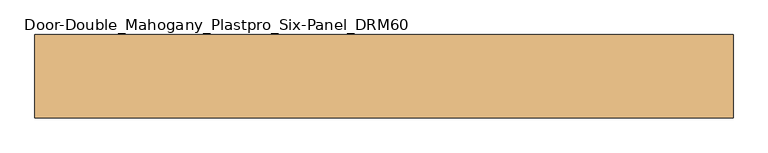
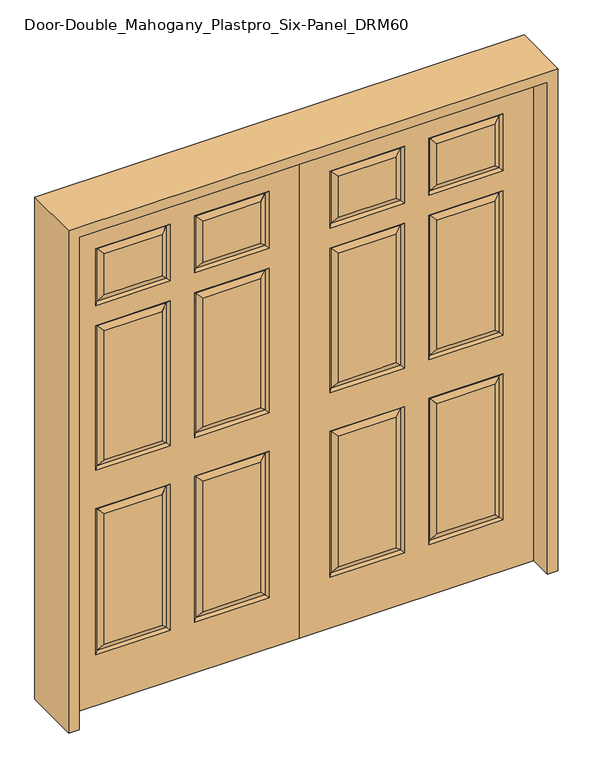
"""IFC4 building model written with IfcOpenShell, lengths in millimetres: door geometry, Door-Double_Mahogany_Plastpro_Six-Panel_DRM60."""

from ifc_helpers import new_model, si_unit, frame, origin, place, context, project, spatial, polyline, outline, extrude, faceted_brep, source, transform, mapped, element, save


def door_double_mahogany_plastpro_six_panel_drm60_e188e422(model_context):
    return source(origin(), model_context, "Body", "SolidModel", [
        faceted_brep([(0.0, -20.6375, 0.0), (0.0, 20.6375, 0.0), (914.4, 20.6375, 0.0), (914.4, -20.6375, 0.0), (762.7351108, -20.6375, 1004.0531705), (762.7351108, -20.6375, 1535.9468295), (537.3281705, -20.6375, 1535.9468295), (537.3281705, -20.6375, 1004.0531705), (377.0708488, -20.6375, 1004.0541512), (377.0708488, -20.6375, 1535.9458488), (151.6658699, -20.6375, 1535.9458488), (151.6658699, -20.6375, 1004.0541512), (377.0718295, -20.6375, 242.0531705), (377.0718295, -20.6375, 780.2968295), (151.6648892, -20.6375, 780.2968295), (151.6648892, -20.6375, 242.0531705), (762.7351108, -20.6375, 242.0531705), (762.7351108, -20.6375, 780.2968295), (537.3281705, -20.6375, 780.2968295), (537.3281705, -20.6375, 242.0531705), (377.0718295, -20.6375, 1683.5031705), (377.0718295, -20.6375, 1853.4468295), (151.6648892, -20.6375, 1853.4468295), (151.6648892, -20.6375, 1683.5031705), (762.7351108, -20.6375, 1683.5031705), (762.7351108, -20.6375, 1853.4468295), (537.3281705, -20.6375, 1853.4468295), (537.3281705, -20.6375, 1683.5031705), (0.0, -20.6375, 2032.0), (914.4, -20.6375, 2032.0), (119.1627007, -20.6375, 971.5509819), (119.1627007, -20.6375, 1568.4490181), (409.5740181, -20.6375, 1568.4490181), (409.5740181, -20.6375, 971.5509819), (504.8250012, -20.6375, 971.5500012), (504.8250012, -20.6375, 1568.4499988), (795.23828, -20.6375, 1568.4499988), (795.23828, -20.6375, 971.5500012), (119.16172, -20.6375, 209.5500012), (119.16172, -20.6375, 812.7999988), (409.5749988, -20.6375, 812.7999988), (409.5749988, -20.6375, 209.5500012), (504.8250012, -20.6375, 209.5500012), (504.8250012, -20.6375, 812.7999988), (795.23828, -20.6375, 812.7999988), (795.23828, -20.6375, 209.5500012), (119.16172, -20.6375, 1651.0000012), (119.16172, -20.6375, 1885.9499988), (409.5749988, -20.6375, 1885.9499988), (409.5749988, -20.6375, 1651.0000012), (504.8250012, -20.6375, 1651.0000012), (504.8250012, -20.6375, 1885.9499988), (795.23828, -20.6375, 1885.9499988), (795.23828, -20.6375, 1651.0000012), (914.4, 20.6375, 2032.0), (0.0, 20.6375, 2032.0), (795.23828, 20.6375, 971.5500012), (795.23828, 20.6375, 1568.4499988), (504.8250012, 20.6375, 1568.4499988), (504.8250012, 20.6375, 971.5500012), (409.5740181, 20.6375, 971.5509819), (409.5740181, 20.6375, 1568.4490181), (119.1627007, 20.6375, 1568.4490181), (119.1627007, 20.6375, 971.5509819), (409.5749988, 20.6375, 209.5500012), (409.5749988, 20.6375, 812.7999988), (119.16172, 20.6375, 812.7999988), (119.16172, 20.6375, 209.5500012), (795.23828, 20.6375, 209.5500012), (795.23828, 20.6375, 812.7999988), (504.8250012, 20.6375, 812.7999988), (504.8250012, 20.6375, 209.5500012), (409.5749988, 20.6375, 1651.0000012), (409.5749988, 20.6375, 1885.9499988), (119.16172, 20.6375, 1885.9499988), (119.16172, 20.6375, 1651.0000012), (795.23828, 20.6375, 1651.0000012), (795.23828, 20.6375, 1885.9499988), (504.8250012, 20.6375, 1885.9499988), (504.8250012, 20.6375, 1651.0000012), (537.3281705, 20.6375, 1004.0531705), (537.3281705, 20.6375, 1535.9468295), (762.7351108, 20.6375, 1535.9468295), (762.7351108, 20.6375, 1004.0531705), (151.6658699, 20.6375, 1004.0541512), (151.6658699, 20.6375, 1535.9458488), (377.0708488, 20.6375, 1535.9458488), (377.0708488, 20.6375, 1004.0541512), (151.6648892, 20.6375, 242.0531705), (151.6648892, 20.6375, 780.2968295), (377.0718295, 20.6375, 780.2968295), (377.0718295, 20.6375, 242.0531705), (537.3281705, 20.6375, 242.0531705), (537.3281705, 20.6375, 780.2968295), (762.7351108, 20.6375, 780.2968295), (762.7351108, 20.6375, 242.0531705), (151.6648892, 20.6375, 1683.5031705), (151.6648892, 20.6375, 1853.4468295), (377.0718295, 20.6375, 1853.4468295), (377.0718295, 20.6375, 1683.5031705), (537.3281705, 20.6375, 1683.5031705), (537.3281705, 20.6375, 1853.4468295), (762.7351108, 20.6375, 1853.4468295), (762.7351108, 20.6375, 1683.5031705), (514.5105194, 10.9519818, 981.2355194), (785.5527618, 10.9519818, 981.2355194), (514.5105194, 10.9519818, 1558.7644806), (785.5527618, 10.9519818, 1558.7644806), (128.8482189, 10.9519818, 981.2365001), (399.8884999, 10.9519818, 981.2365001), (128.8482189, 10.9519818, 1558.7634999), (399.8884999, 10.9519818, 1558.7634999), (128.8472382, 10.9519818, 219.2355194), (399.8894806, 10.9519818, 219.2355194), (128.8472382, 10.9519818, 803.1144806), (399.8894806, 10.9519818, 803.1144806), (514.5105194, 10.9519818, 219.2355194), (785.5527618, 10.9519818, 219.2355194), (514.5105194, 10.9519818, 803.1144806), (785.5527618, 10.9519818, 803.1144806), (514.5105194, -10.9519818, 981.2355194), (785.5527618, -10.9519818, 981.2355194), (514.5105194, -10.9519818, 1558.7644806), (785.5527618, -10.9519818, 1558.7644806), (128.8482189, -10.9519818, 981.2365001), (399.8884999, -10.9519818, 981.2365001), (128.8482189, -10.9519818, 1558.7634999), (399.8884999, -10.9519818, 1558.7634999), (128.8472382, -10.9519818, 219.2355194), (399.8894806, -10.9519818, 219.2355194), (128.8472382, -10.9519818, 803.1144806), (399.8894806, -10.9519818, 803.1144806), (514.5105194, -10.9519818, 219.2355194), (785.5527618, -10.9519818, 219.2355194), (514.5105194, -10.9519818, 803.1144806), (785.5527618, -10.9519818, 803.1144806), (128.8472382, 10.9519818, 1660.6855194), (399.8894806, 10.9519818, 1660.6855194), (128.8472382, -10.9519818, 1660.6855194), (399.8894806, -10.9519818, 1660.6855194), (399.8894806, 10.9519818, 1876.2644806), (399.8894806, -10.9519818, 1876.2644806), (128.8472382, 10.9519818, 1876.2644806), (128.8472382, -10.9519818, 1876.2644806), (514.5105194, 10.9519818, 1660.6855194), (785.5527618, 10.9519818, 1660.6855194), (785.5527618, 10.9519818, 1876.2644806), (514.5105194, 10.9519818, 1876.2644806), (514.5105194, -10.9519818, 1660.6855194), (785.5527618, -10.9519818, 1660.6855194), (785.5527618, -10.9519818, 1876.2644806), (514.5105194, -10.9519818, 1876.2644806)], [[[0, 1, 2, 3]], [[4, 5, 6, 7]], [[8, 9, 10, 11]], [[12, 13, 14, 15]], [[16, 17, 18, 19]], [[20, 21, 22, 23]], [[24, 25, 26, 27]], [[28, 0, 3, 29], [30, 31, 32, 33], [34, 35, 36, 37], [38, 39, 40, 41], [42, 43, 44, 45], [46, 47, 48, 49], [50, 51, 52, 53]], [[29, 3, 2, 54]], [[54, 2, 1, 55], [56, 57, 58, 59], [60, 61, 62, 63], [64, 65, 66, 67], [68, 69, 70, 71], [72, 73, 74, 75], [76, 77, 78, 79]], [[80, 81, 82, 83]], [[84, 85, 86, 87]], [[88, 89, 90, 91]], [[92, 93, 94, 95]], [[96, 97, 98, 99]], [[100, 101, 102, 103]], [[55, 1, 0, 28]], [[56, 59, 104, 105]], [[59, 58, 106, 104]], [[105, 107, 57, 56]], [[104, 80, 83, 105]], [[83, 82, 107, 105]], [[104, 106, 81, 80]], [[60, 63, 108, 109]], [[63, 62, 110, 108]], [[109, 111, 61, 60]], [[108, 84, 87, 109]], [[87, 86, 111, 109]], [[108, 110, 85, 84]], [[64, 67, 112, 113]], [[67, 66, 114, 112]], [[115, 114, 66, 65]], [[113, 115, 65, 64]], [[112, 88, 91, 113]], [[91, 90, 115, 113]], [[90, 89, 114, 115]], [[112, 114, 89, 88]], [[68, 71, 116, 117]], [[71, 70, 118, 116]], [[119, 118, 70, 69]], [[117, 119, 69, 68]], [[116, 92, 95, 117]], [[95, 94, 119, 117]], [[94, 93, 118, 119]], [[116, 118, 93, 92]], [[4, 7, 120, 121]], [[7, 6, 122, 120]], [[121, 123, 5, 4]], [[120, 34, 37, 121]], [[37, 36, 123, 121]], [[120, 122, 35, 34]], [[8, 11, 124, 125]], [[11, 10, 126, 124]], [[125, 127, 9, 8]], [[124, 30, 33, 125]], [[33, 32, 127, 125]], [[124, 126, 31, 30]], [[12, 15, 128, 129]], [[15, 14, 130, 128]], [[131, 130, 14, 13]], [[129, 131, 13, 12]], [[128, 38, 41, 129]], [[41, 40, 131, 129]], [[40, 39, 130, 131]], [[128, 130, 39, 38]], [[16, 19, 132, 133]], [[19, 18, 134, 132]], [[135, 134, 18, 17]], [[133, 135, 17, 16]], [[132, 42, 45, 133]], [[45, 44, 135, 133]], [[44, 43, 134, 135]], [[132, 134, 43, 42]], [[72, 75, 136, 137]], [[136, 96, 99, 137]], [[20, 23, 138, 139]], [[138, 46, 49, 139]], [[137, 140, 73, 72]], [[99, 98, 140, 137]], [[139, 141, 21, 20]], [[49, 48, 141, 139]], [[140, 142, 74, 73]], [[98, 97, 142, 140]], [[141, 143, 22, 21]], [[48, 47, 143, 141]], [[75, 74, 142, 136]], [[136, 142, 97, 96]], [[23, 22, 143, 138]], [[138, 143, 47, 46]], [[28, 29, 54, 55]], [[76, 79, 144, 145]], [[144, 100, 103, 145]], [[145, 146, 77, 76]], [[103, 102, 146, 145]], [[146, 147, 78, 77]], [[102, 101, 147, 146]], [[79, 78, 147, 144]], [[144, 147, 101, 100]], [[24, 27, 148, 149]], [[148, 50, 53, 149]], [[149, 150, 25, 24]], [[53, 52, 150, 149]], [[150, 151, 26, 25]], [[52, 51, 151, 150]], [[27, 26, 151, 148]], [[148, 151, 51, 50]], [[107, 106, 58, 57]], [[82, 81, 106, 107]], [[123, 122, 6, 5]], [[36, 35, 122, 123]], [[111, 110, 62, 61]], [[86, 85, 110, 111]], [[127, 126, 10, 9]], [[32, 31, 126, 127]]]),
        faceted_brep([(0.0, -20.6375, 0.0), (-914.4, -20.6375, 0.0), (-914.4, 20.6375, 0.0), (0.0, 20.6375, 0.0), (-762.7351108, -20.6375, 1004.0531705), (-537.3281705, -20.6375, 1004.0531705), (-537.3281705, -20.6375, 1535.9468295), (-762.7351108, -20.6375, 1535.9468295), (-377.0708488, -20.6375, 1004.0541512), (-151.6658699, -20.6375, 1004.0541512), (-151.6658699, -20.6375, 1535.9458488), (-377.0708488, -20.6375, 1535.9458488), (-377.0718295, -20.6375, 242.0531705), (-151.6648892, -20.6375, 242.0531705), (-151.6648892, -20.6375, 780.2968295), (-377.0718295, -20.6375, 780.2968295), (-762.7351108, -20.6375, 242.0531705), (-537.3281705, -20.6375, 242.0531705), (-537.3281705, -20.6375, 780.2968295), (-762.7351108, -20.6375, 780.2968295), (-377.0718295, -20.6375, 1683.5031705), (-151.6648892, -20.6375, 1683.5031705), (-151.6648892, -20.6375, 1853.4468295), (-377.0718295, -20.6375, 1853.4468295), (-762.7351108, -20.6375, 1683.5031705), (-537.3281705, -20.6375, 1683.5031705), (-537.3281705, -20.6375, 1853.4468295), (-762.7351108, -20.6375, 1853.4468295), (0.0, -20.6375, 2032.0), (-914.4, -20.6375, 2032.0), (-119.1627007, -20.6375, 971.5509819), (-409.5740181, -20.6375, 971.5509819), (-409.5740181, -20.6375, 1568.4490181), (-119.1627007, -20.6375, 1568.4490181), (-504.8250012, -20.6375, 971.5500012), (-795.23828, -20.6375, 971.5500012), (-795.23828, -20.6375, 1568.4499988), (-504.8250012, -20.6375, 1568.4499988), (-119.16172, -20.6375, 209.5500012), (-409.5749988, -20.6375, 209.5500012), (-409.5749988, -20.6375, 812.7999988), (-119.16172, -20.6375, 812.7999988), (-504.8250012, -20.6375, 209.5500012), (-795.23828, -20.6375, 209.5500012), (-795.23828, -20.6375, 812.7999988), (-504.8250012, -20.6375, 812.7999988), (-119.16172, -20.6375, 1651.0000012), (-409.5749988, -20.6375, 1651.0000012), (-409.5749988, -20.6375, 1885.9499988), (-119.16172, -20.6375, 1885.9499988), (-504.8250012, -20.6375, 1651.0000012), (-795.23828, -20.6375, 1651.0000012), (-795.23828, -20.6375, 1885.9499988), (-504.8250012, -20.6375, 1885.9499988), (-914.4, 20.6375, 2032.0), (-537.3281705, 20.6375, 1004.0531705), (-762.7351108, 20.6375, 1004.0531705), (-762.7351108, 20.6375, 1535.9468295), (-537.3281705, 20.6375, 1535.9468295), (-151.6658699, 20.6375, 1004.0541512), (-377.0708488, 20.6375, 1004.0541512), (-377.0708488, 20.6375, 1535.9458488), (-151.6658699, 20.6375, 1535.9458488), (-151.6648892, 20.6375, 242.0531705), (-377.0718295, 20.6375, 242.0531705), (-377.0718295, 20.6375, 780.2968295), (-151.6648892, 20.6375, 780.2968295), (-537.3281705, 20.6375, 242.0531705), (-762.7351108, 20.6375, 242.0531705), (-762.7351108, 20.6375, 780.2968295), (-537.3281705, 20.6375, 780.2968295), (-151.6648892, 20.6375, 1683.5031705), (-377.0718295, 20.6375, 1683.5031705), (-377.0718295, 20.6375, 1853.4468295), (-151.6648892, 20.6375, 1853.4468295), (-537.3281705, 20.6375, 1683.5031705), (-762.7351108, 20.6375, 1683.5031705), (-762.7351108, 20.6375, 1853.4468295), (-537.3281705, 20.6375, 1853.4468295), (0.0, 20.6375, 2032.0), (-795.23828, 20.6375, 971.5500012), (-504.8250012, 20.6375, 971.5500012), (-504.8250012, 20.6375, 1568.4499988), (-795.23828, 20.6375, 1568.4499988), (-409.5740181, 20.6375, 971.5509819), (-119.1627007, 20.6375, 971.5509819), (-119.1627007, 20.6375, 1568.4490181), (-409.5740181, 20.6375, 1568.4490181), (-409.5749988, 20.6375, 209.5500012), (-119.16172, 20.6375, 209.5500012), (-119.16172, 20.6375, 812.7999988), (-409.5749988, 20.6375, 812.7999988), (-795.23828, 20.6375, 209.5500012), (-504.8250012, 20.6375, 209.5500012), (-504.8250012, 20.6375, 812.7999988), (-795.23828, 20.6375, 812.7999988), (-409.5749988, 20.6375, 1651.0000012), (-119.16172, 20.6375, 1651.0000012), (-119.16172, 20.6375, 1885.9499988), (-409.5749988, 20.6375, 1885.9499988), (-795.23828, 20.6375, 1651.0000012), (-504.8250012, 20.6375, 1651.0000012), (-504.8250012, 20.6375, 1885.9499988), (-795.23828, 20.6375, 1885.9499988), (-785.5527618, 10.9519818, 981.2355194), (-514.5105194, 10.9519818, 981.2355194), (-514.5105194, 10.9519818, 1558.7644806), (-785.5527618, 10.9519818, 1558.7644806), (-399.8884999, 10.9519818, 981.2365001), (-128.8482189, 10.9519818, 981.2365001), (-128.8482189, 10.9519818, 1558.7634999), (-399.8884999, 10.9519818, 1558.7634999), (-399.8894806, 10.9519818, 219.2355194), (-128.8472382, 10.9519818, 219.2355194), (-128.8472382, 10.9519818, 803.1144806), (-399.8894806, 10.9519818, 803.1144806), (-785.5527618, 10.9519818, 219.2355194), (-514.5105194, 10.9519818, 219.2355194), (-514.5105194, 10.9519818, 803.1144806), (-785.5527618, 10.9519818, 803.1144806), (-785.5527618, -10.9519818, 981.2355194), (-514.5105194, -10.9519818, 981.2355194), (-514.5105194, -10.9519818, 1558.7644806), (-785.5527618, -10.9519818, 1558.7644806), (-399.8884999, -10.9519818, 981.2365001), (-128.8482189, -10.9519818, 981.2365001), (-128.8482189, -10.9519818, 1558.7634999), (-399.8884999, -10.9519818, 1558.7634999), (-399.8894806, -10.9519818, 219.2355194), (-128.8472382, -10.9519818, 219.2355194), (-128.8472382, -10.9519818, 803.1144806), (-399.8894806, -10.9519818, 803.1144806), (-785.5527618, -10.9519818, 219.2355194), (-514.5105194, -10.9519818, 219.2355194), (-514.5105194, -10.9519818, 803.1144806), (-785.5527618, -10.9519818, 803.1144806), (-399.8894806, 10.9519818, 1660.6855194), (-128.8472382, 10.9519818, 1660.6855194), (-399.8894806, -10.9519818, 1660.6855194), (-128.8472382, -10.9519818, 1660.6855194), (-399.8894806, 10.9519818, 1876.2644806), (-399.8894806, -10.9519818, 1876.2644806), (-128.8472382, 10.9519818, 1876.2644806), (-128.8472382, -10.9519818, 1876.2644806), (-785.5527618, 10.9519818, 1660.6855194), (-514.5105194, 10.9519818, 1660.6855194), (-785.5527618, 10.9519818, 1876.2644806), (-514.5105194, 10.9519818, 1876.2644806), (-785.5527618, -10.9519818, 1660.6855194), (-514.5105194, -10.9519818, 1660.6855194), (-785.5527618, -10.9519818, 1876.2644806), (-514.5105194, -10.9519818, 1876.2644806)], [[[0, 1, 2, 3]], [[4, 5, 6, 7]], [[8, 9, 10, 11]], [[12, 13, 14, 15]], [[16, 17, 18, 19]], [[20, 21, 22, 23]], [[24, 25, 26, 27]], [[28, 29, 1, 0], [30, 31, 32, 33], [34, 35, 36, 37], [38, 39, 40, 41], [42, 43, 44, 45], [46, 47, 48, 49], [50, 51, 52, 53]], [[29, 54, 2, 1]], [[55, 56, 57, 58]], [[59, 60, 61, 62]], [[63, 64, 65, 66]], [[67, 68, 69, 70]], [[71, 72, 73, 74]], [[75, 76, 77, 78]], [[54, 79, 3, 2], [80, 81, 82, 83], [84, 85, 86, 87], [88, 89, 90, 91], [92, 93, 94, 95], [96, 97, 98, 99], [100, 101, 102, 103]], [[79, 28, 0, 3]], [[80, 104, 105, 81]], [[81, 105, 106, 82]], [[104, 80, 83, 107]], [[105, 104, 56, 55]], [[56, 104, 107, 57]], [[105, 55, 58, 106]], [[84, 108, 109, 85]], [[85, 109, 110, 86]], [[108, 84, 87, 111]], [[109, 108, 60, 59]], [[60, 108, 111, 61]], [[109, 59, 62, 110]], [[88, 112, 113, 89]], [[89, 113, 114, 90]], [[115, 91, 90, 114]], [[112, 88, 91, 115]], [[113, 112, 64, 63]], [[64, 112, 115, 65]], [[65, 115, 114, 66]], [[113, 63, 66, 114]], [[92, 116, 117, 93]], [[93, 117, 118, 94]], [[119, 95, 94, 118]], [[116, 92, 95, 119]], [[117, 116, 68, 67]], [[68, 116, 119, 69]], [[69, 119, 118, 70]], [[117, 67, 70, 118]], [[4, 120, 121, 5]], [[5, 121, 122, 6]], [[120, 4, 7, 123]], [[121, 120, 35, 34]], [[35, 120, 123, 36]], [[121, 34, 37, 122]], [[8, 124, 125, 9]], [[9, 125, 126, 10]], [[124, 8, 11, 127]], [[125, 124, 31, 30]], [[31, 124, 127, 32]], [[125, 30, 33, 126]], [[12, 128, 129, 13]], [[13, 129, 130, 14]], [[131, 15, 14, 130]], [[128, 12, 15, 131]], [[129, 128, 39, 38]], [[39, 128, 131, 40]], [[40, 131, 130, 41]], [[129, 38, 41, 130]], [[16, 132, 133, 17]], [[17, 133, 134, 18]], [[135, 19, 18, 134]], [[132, 16, 19, 135]], [[133, 132, 43, 42]], [[43, 132, 135, 44]], [[44, 135, 134, 45]], [[133, 42, 45, 134]], [[96, 136, 137, 97]], [[137, 136, 72, 71]], [[20, 138, 139, 21]], [[139, 138, 47, 46]], [[136, 96, 99, 140]], [[72, 136, 140, 73]], [[138, 20, 23, 141]], [[47, 138, 141, 48]], [[140, 99, 98, 142]], [[73, 140, 142, 74]], [[141, 23, 22, 143]], [[48, 141, 143, 49]], [[97, 137, 142, 98]], [[137, 71, 74, 142]], [[21, 139, 143, 22]], [[139, 46, 49, 143]], [[28, 79, 54, 29]], [[100, 144, 145, 101]], [[145, 144, 76, 75]], [[144, 100, 103, 146]], [[76, 144, 146, 77]], [[146, 103, 102, 147]], [[77, 146, 147, 78]], [[101, 145, 147, 102]], [[145, 75, 78, 147]], [[24, 148, 149, 25]], [[149, 148, 51, 50]], [[148, 24, 27, 150]], [[51, 148, 150, 52]], [[150, 27, 26, 151]], [[52, 150, 151, 53]], [[25, 149, 151, 26]], [[149, 50, 53, 151]], [[107, 83, 82, 106]], [[57, 107, 106, 58]], [[123, 7, 6, 122]], [[36, 123, 122, 37]], [[111, 87, 86, 110]], [[61, 111, 110, 62]], [[127, 11, 10, 126]], [[32, 127, 126, 33]]]),
        extrude(outline(polyline([(2073.275, -955.675), (0.0, -955.675), (0.0, -914.4), (2032.0, -914.4), (2032.0, 914.4), (0.0, 914.4), (0.0, 955.675), (2073.275, 955.675), (2073.275, -955.675)])), frame((0.0, -114.3, 0.0), z_axis=(0.0, 1.0, 0.0), x_axis=(0.0, 0.0, 1.0)), (0.0, 0.0, 1.0), 228.6),
    ])


if __name__ == "__main__":
    model = new_model("IFC4")
    model_context = context("Model", 3, world=origin())
    ifc_project = project(units=[si_unit("LENGTHUNIT", "METRE", prefix="MILLI")], contexts=[model_context])
    site = spatial("IfcSite", under=ifc_project)
    building = spatial("IfcBuilding", under=site)
    placement = place(None, origin())
    door_double_mahogany_plastpro_six_panel_drm60_shape = door_double_mahogany_plastpro_six_panel_drm60_e188e422(model_context)
    element("IfcDoor", 1, ObjectType="Door-Double_Mahogany_Plastpro_Six-Panel_DRM60", at=placement, inside=building, context=model_context, shape_type="MappedRepresentation", body=[
        mapped(door_double_mahogany_plastpro_six_panel_drm60_shape, transform((0.0, 0.0, 0.0), x_axis=(1.0, 0.0, 0.0), y_axis=(0.0, 1.0, 0.0), z_axis=(0.0, 0.0, 1.0))),
    ])
    save(model, "model.ifc")
